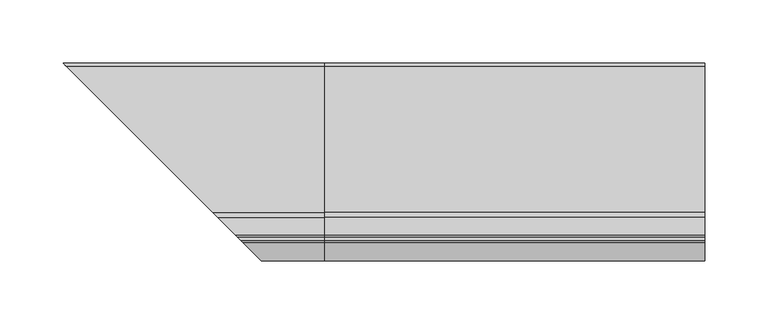
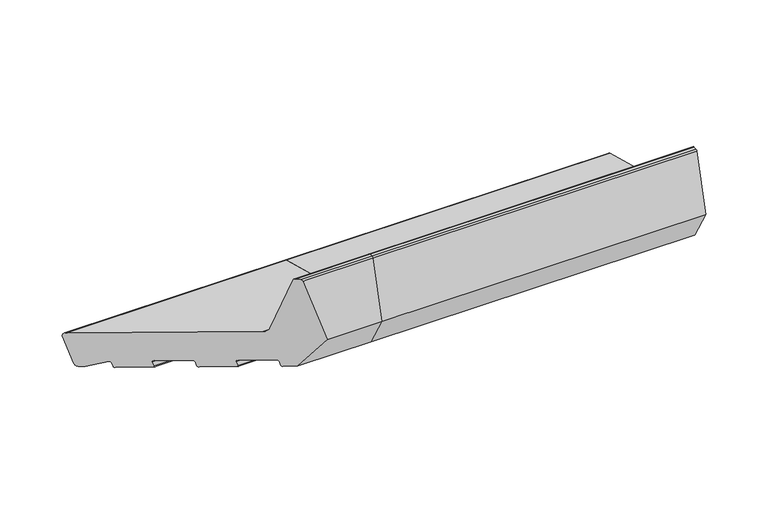
"""IFC4 building model written with IfcOpenShell, lengths in millimetres: proxy geometry."""

from ifc_helpers import new_model, si_unit, point, frame, frame_2d, origin, place, context, project, spatial, polyline, circle_curve, ellipse_curve, trimmed, segment, composite_curve, outline, extrude, source, transform, mapped, element, save
from ifc_brep_helpers import plane_surface, cylinder_surface, revolved_surface, advanced_brep


def generic_models_1cec0a48(model_context):
    return source(origin(), model_context, "Body", "SolidModel", [
        advanced_brep(
        [(0.0, 24.4386976, 5.7548961), (0.0, 28.1129323, 7.8762164), (0.0, 34.8422274, 32.9902879), (0.0, 32.7209071, 36.6645225), (0.0, -82.7419043, 67.6026896), (0.0, -86.984545, 71.8453303), (0.0, -100.7329958, 123.1552472), (0.0, -102.1818846, 124.2670186), (0.0, -105.1934447, 124.2670186), (0.0, -106.6423334, 123.1552472), (0.0, -121.0, 69.571706), (0.0, -103.3223305, 38.9530842), (0.0, -94.628998, 36.6237128), (0.0, -93.4042532, 37.3308196), (0.0, -92.368977, 41.1945229), (0.0, -91.1442321, 41.9016297), (0.0, -67.9620123, 35.6899726), (0.0, -67.2549055, 34.4652277), (0.0, -68.2901817, 30.6015244), (0.0, -67.5830749, 29.3767795), (0.0, -45.3667809, 23.4239415), (0.0, -44.142036, 24.1310483), (0.0, -43.1067598, 27.9947516), (0.0, -41.882015, 28.7018584), (0.0, -18.6997951, 22.4902013), (0.0, -17.9926884, 21.2654564), (0.0, -19.0279645, 17.4017531), (0.0, -18.3208578, 16.1770082), (0.0, 3.8954362, 10.2241702), (0.0, 5.1201811, 10.931277), (0.0, 6.0683716, 14.4699721), (0.0, 7.5551512, 15.0647989), (0.0, 21.5409202, 6.5313532), (-195.4386976, 24.4386976, 5.7548961), (-199.1129323, 28.1129323, 7.8762164), (-205.8422274, 34.8422274, 32.9902879), (-203.7209071, 32.7209071, 36.6645225), (-88.2580957, -82.7419043, 67.6026896), (-84.015455, -86.984545, 71.8453303), (-70.2670042, -100.7329958, 123.1552472), (-68.8181154, -102.1818846, 124.2670186), (-65.8065553, -105.1934447, 124.2670186), (-64.3576666, -106.6423334, 123.1552472), (-50.0, -121.0, 69.571706), (-67.6776695, -103.3223305, 38.9530842), (-76.371002, -94.628998, 36.6237128), (-77.5957468, -93.4042532, 37.3308196), (-78.631023, -92.368977, 41.1945229), (-79.8557679, -91.1442321, 41.9016297), (-103.0379877, -67.9620123, 35.6899726), (-103.7450945, -67.2549055, 34.4652277), (-102.7098183, -68.2901817, 30.6015244), (-103.4169251, -67.5830749, 29.3767795), (-125.6332191, -45.3667809, 23.4239415), (-126.857964, -44.142036, 24.1310483), (-127.8932402, -43.1067598, 27.9947516), (-129.117985, -41.882015, 28.7018584), (-192.5409202, 21.5409202, 6.5313532), (-152.3002049, -18.6997951, 22.4902013), (-151.9720355, -19.0279645, 17.4017531), (-152.6791422, -18.3208578, 16.1770082), (-153.0073116, -17.9926884, 21.2654564), (-174.8954362, 3.8954362, 10.2241702), (-176.1201811, 5.1201811, 10.931277), (-177.0683716, 6.0683716, 14.4699721), (-178.5551512, 7.5551512, 15.0647989)],
        [
            (0, 1, circle_curve(frame((0.0, 25.2151548, 8.6526736), z_axis=(1.0, 0.0, 0.0), x_axis=(0.0, 1.0, 0.0)), 3.0)),
            (1, 2),
            (2, 3, circle_curve(frame((0.0, 31.94445, 33.766745), z_axis=(1.0, 0.0, 0.0), x_axis=(0.0, 1.0, 0.0)), 3.0)),
            (3, 4),
            (4, 5, circle_curve(frame((0.0, -81.1889901, 73.3982445), z_axis=(-1.0, 0.0, 0.0), x_axis=(0.0, 1.0, 0.0)), 6.0)),
            (5, 6),
            (6, 7, circle_curve(frame((0.0, -102.1818846, 122.7670186), z_axis=(1.0, 0.0, 0.0), x_axis=(0.0, 1.0, 0.0)), 1.5)),
            (7, 8),
            (8, 9, circle_curve(frame((0.0, -105.1934447, 122.7670186), z_axis=(1.0, 0.0, 0.0), x_axis=(0.0, 1.0, 0.0)), 1.5)),
            (9, 10),
            (10, 11),
            (11, 12),
            (12, 13, circle_curve(frame((0.0, -94.370179, 37.5896386), z_axis=(1.0, 0.0, 0.0), x_axis=(0.0, 1.0, 0.0)), 1.0)),
            (13, 14),
            (14, 15, circle_curve(frame((0.0, -91.4030512, 40.9357038), z_axis=(-1.0, 0.0, 0.0), x_axis=(0.0, 1.0, 0.0)), 1.0)),
            (15, 16),
            (16, 17, circle_curve(frame((0.0, -68.2208313, 34.7240468), z_axis=(-1.0, 0.0, 0.0), x_axis=(0.0, 1.0, 0.0)), 1.0)),
            (17, 18),
            (18, 19, circle_curve(frame((0.0, -67.3242559, 30.3427054), z_axis=(1.0, 0.0, 0.0), x_axis=(0.0, 1.0, 0.0)), 1.0)),
            (19, 20),
            (20, 21, circle_curve(frame((0.0, -45.1079618, 24.3898673), z_axis=(1.0, 0.0, 0.0), x_axis=(0.0, 1.0, 0.0)), 1.0)),
            (21, 22),
            (22, 23, circle_curve(frame((0.0, -42.140834, 27.7359325), z_axis=(-1.0, 0.0, 0.0), x_axis=(0.0, 1.0, 0.0)), 1.0)),
            (23, 24),
            (24, 25, circle_curve(frame((0.0, -18.9586142, 21.5242755), z_axis=(-1.0, 0.0, 0.0), x_axis=(0.0, 1.0, 0.0)), 1.0)),
            (25, 26),
            (26, 27, circle_curve(frame((0.0, -18.0620387, 17.1429341), z_axis=(1.0, 0.0, 0.0), x_axis=(0.0, 1.0, 0.0)), 1.0)),
            (27, 28),
            (28, 29, circle_curve(frame((0.0, 4.1542553, 11.190096), z_axis=(1.0, 0.0, 0.0), x_axis=(0.0, 1.0, 0.0)), 1.0)),
            (29, 30),
            (30, 31, circle_curve(frame((0.0, 7.0342974, 14.211153), z_axis=(-1.0, 0.0, 0.0), x_axis=(0.0, 1.0, 0.0)), 1.0)),
            (31, 32),
            (32, 0),
            (0, 33),
            (33, 34, ellipse_curve(frame((-196.2151548, 25.2151548, 8.6526736), z_axis=(0.707106781186548, 0.7071067811865471, 0.0), x_axis=(-0.707106781186547, 0.707106781186548, 0.0)), 4.2426407, 3.0)),
            (34, 1),
            (34, 35),
            (35, 2),
            (35, 36, ellipse_curve(frame((-202.94445, 31.94445, 33.766745), z_axis=(0.707106781186548, 0.7071067811865471, 0.0), x_axis=(-0.707106781186547, 0.707106781186548, 0.0)), 4.2426407, 3.0)),
            (36, 3),
            (36, 37),
            (37, 4),
            (37, 38, ellipse_curve(frame((-89.8110099, -81.1889901, 73.3982445), z_axis=(-0.707106781186548, -0.7071067811865471, 0.0), x_axis=(0.707106781186547, -0.707106781186548, 0.0)), 8.4852814, 6.0)),
            (38, 5),
            (38, 39),
            (39, 6),
            (39, 40, ellipse_curve(frame((-68.8181154, -102.1818846, 122.7670186), z_axis=(0.707106781186548, 0.7071067811865471, 0.0), x_axis=(-0.707106781186547, 0.707106781186548, 0.0)), 2.1213203, 1.5)),
            (40, 7),
            (40, 41),
            (41, 8),
            (41, 42, ellipse_curve(frame((-65.8065553, -105.1934447, 122.7670186), z_axis=(0.707106781186548, 0.7071067811865471, 0.0), x_axis=(-0.707106781186547, 0.707106781186548, 0.0)), 2.1213203, 1.5)),
            (42, 9),
            (42, 43),
            (43, 10),
            (43, 44),
            (44, 11),
            (44, 45),
            (45, 12),
            (45, 46, ellipse_curve(frame((-76.629821, -94.370179, 37.5896386), z_axis=(0.707106781186548, 0.7071067811865471, 0.0), x_axis=(-0.707106781186547, 0.707106781186548, 0.0)), 1.4142136, 1.0)),
            (46, 13),
            (46, 47),
            (47, 14),
            (47, 48, ellipse_curve(frame((-79.5969488, -91.4030512, 40.9357038), z_axis=(-0.707106781186548, -0.7071067811865471, 0.0), x_axis=(0.707106781186547, -0.707106781186548, 0.0)), 1.4142136, 1.0)),
            (48, 15),
            (48, 49),
            (49, 16),
            (49, 50, ellipse_curve(frame((-102.7791687, -68.2208313, 34.7240468), z_axis=(-0.707106781186548, -0.7071067811865471, 0.0), x_axis=(0.707106781186547, -0.707106781186548, 0.0)), 1.4142136, 1.0)),
            (50, 17),
            (50, 51),
            (51, 18),
            (51, 52, ellipse_curve(frame((-103.6757441, -67.3242559, 30.3427054), z_axis=(0.707106781186548, 0.7071067811865471, 0.0), x_axis=(-0.707106781186547, 0.707106781186548, 0.0)), 1.4142136, 1.0)),
            (52, 19),
            (52, 53),
            (53, 20),
            (53, 54, ellipse_curve(frame((-125.8920382, -45.1079618, 24.3898673), z_axis=(0.707106781186548, 0.7071067811865471, 0.0), x_axis=(-0.707106781186547, 0.707106781186548, 0.0)), 1.4142136, 1.0)),
            (54, 21),
            (54, 55),
            (55, 22),
            (55, 56, ellipse_curve(frame((-128.859166, -42.140834, 27.7359325), z_axis=(-0.707106781186548, -0.7071067811865471, 0.0), x_axis=(0.707106781186547, -0.707106781186548, 0.0)), 1.4142136, 1.0)),
            (56, 23),
            (32, 57),
            (57, 33),
            (56, 58),
            (58, 24),
            (26, 59),
            (59, 60, ellipse_curve(frame((-152.9379613, -18.0620387, 17.1429341), z_axis=(0.707106781186548, 0.7071067811865471, 0.0), x_axis=(-0.707106781186547, 0.707106781186548, 0.0)), 1.4142136, 1.0)),
            (60, 27),
            (25, 61),
            (61, 59),
            (58, 61, ellipse_curve(frame((-152.0413858, -18.9586142, 21.5242755), z_axis=(-0.707106781186548, -0.7071067811865471, 0.0), x_axis=(0.707106781186547, -0.707106781186548, 0.0)), 1.4142136, 1.0)),
            (60, 62),
            (62, 28),
            (62, 63, ellipse_curve(frame((-175.1542553, 4.1542553, 11.190096), z_axis=(0.707106781186548, 0.7071067811865471, 0.0), x_axis=(-0.707106781186547, 0.707106781186548, 0.0)), 1.4142136, 1.0)),
            (63, 29),
            (63, 64),
            (64, 30),
            (64, 65, ellipse_curve(frame((-178.0342974, 7.0342974, 14.211153), z_axis=(-0.707106781186548, -0.7071067811865471, 0.0), x_axis=(0.707106781186547, -0.707106781186548, 0.0)), 1.4142136, 1.0)),
            (65, 31),
            (65, 57),
        ],
        [
            plane_surface(frame((0.0, 0.0, 0.0), z_axis=(1.0, 0.0, 0.0), x_axis=(0.0, 0.0, 1.0))),
            cylinder_surface(frame((-206.3741644, 25.2151548, 8.6526736), z_axis=(-1.0, 0.0, 0.0), x_axis=(0.0, 1.0, 0.0)), 3.0),
            plane_surface(frame((-206.3741644, 34.8422274, 32.9902879), z_axis=(0.0, 0.9659258262890688, -0.2588190451025192), x_axis=(1.0, 0.0, 0.0))),
            cylinder_surface(frame((-206.3741644, 31.94445, 33.766745), z_axis=(-1.0, 0.0, 0.0), x_axis=(0.0, 1.0, 0.0)), 3.0),
            plane_surface(frame((-206.3741644, -82.7419043, 67.6026896), z_axis=(0.0, 0.25881904510252074, 0.9659258262890684), x_axis=(1.0, 0.0, 0.0))),
            revolved_surface(polyline([(0.0, -75.1889901, 73.3982445), (-95.81100991821609, -75.1889901, 73.3982445)]), (-206.3741644, -81.1889901, 73.3982445), (1.0, 0.0, 0.0)),
            plane_surface(frame((-206.3741644, -100.7329958, 123.1552472), z_axis=(0.0, 0.9659258262890681, 0.25881904510252146), x_axis=(1.0, 0.0, 0.0))),
            cylinder_surface(frame((-206.3741644, -102.1818846, 122.7670186), z_axis=(-1.0, 0.0, 0.0), x_axis=(0.0, 1.0, 0.0)), 1.5),
            plane_surface(frame((-206.3741644, -105.1934447, 124.2670186), z_axis=(0.0, 0.0, 1.0), x_axis=(1.0, 0.0, 0.0))),
            cylinder_surface(frame((-206.3741644, -105.1934447, 122.7670186), z_axis=(-1.0, 0.0, 0.0), x_axis=(0.0, 1.0, 0.0)), 1.5),
            plane_surface(frame((-206.3741644, -121.0, 69.571706), z_axis=(0.0, -0.9659258262890682, 0.25881904510252113), x_axis=(1.0, 0.0, 0.0))),
            plane_surface(frame((-206.3741644, -103.3223305, 38.9530842), z_axis=(0.0, -0.8660254037844382, -0.5000000000000009), x_axis=(1.0, 0.0, 0.0))),
            plane_surface(frame((-206.3741644, -94.628998, 36.6237128), z_axis=(0.0, -0.2588190451025213, -0.9659258262890682), x_axis=(1.0, 0.0, 0.0))),
            cylinder_surface(frame((-206.3741644, -94.370179, 37.5896386), z_axis=(-1.0, 0.0, 0.0), x_axis=(0.0, 1.0, 0.0)), 1.0),
            plane_surface(frame((-206.3741644, -92.368977, 41.1945229), z_axis=(0.0, 0.9659258262890696, -0.25881904510251574), x_axis=(1.0, 0.0, 0.0))),
            revolved_surface(polyline([(0.0, -90.4030512, 40.9357038), (-80.59694882660625, -90.4030512, 40.9357038)]), (-206.3741644, -91.4030512, 40.9357038), (1.0, 0.0, 0.0)),
            plane_surface(frame((-206.3741644, -67.9620123, 35.6899726), z_axis=(0.0, -0.25881904510252196, -0.965925826289068), x_axis=(1.0, 0.0, 0.0))),
            revolved_surface(polyline([(0.0, -67.2208313, 34.7240468), (-103.77916872660624, -67.2208313, 34.7240468)]), (-206.3741644, -68.2208313, 34.7240468), (1.0, 0.0, 0.0)),
            plane_surface(frame((-206.3741644, -68.2901817, 30.6015244), z_axis=(0.0, -0.9659258262890698, 0.2588190451025152), x_axis=(1.0, 0.0, 0.0))),
            cylinder_surface(frame((-206.3741644, -67.3242559, 30.3427054), z_axis=(-1.0, 0.0, 0.0), x_axis=(0.0, 1.0, 0.0)), 1.0),
            plane_surface(frame((-206.3741644, -45.3667809, 23.4239415), z_axis=(0.0, -0.25881904510252135, -0.9659258262890682), x_axis=(1.0, 0.0, 0.0))),
            cylinder_surface(frame((-206.3741644, -45.1079618, 24.3898673), z_axis=(-1.0, 0.0, 0.0), x_axis=(0.0, 1.0, 0.0)), 1.0),
            plane_surface(frame((-206.3741644, -43.1067598, 27.9947516), z_axis=(0.0, 0.9659258262890696, -0.25881904510251574), x_axis=(1.0, 0.0, 0.0))),
            revolved_surface(polyline([(0.0, -41.140834, 27.7359325), (-129.85916602660623, -41.140834, 27.7359325)]), (-206.3741644, -42.140834, 27.7359325), (1.0, 0.0, 0.0)),
            plane_surface(frame((-206.3741644, 24.4386976, 5.7548961), z_axis=(0.0, -0.2588190451025198, -0.9659258262890685), x_axis=(1.0, 0.0, 0.0))),
            plane_surface(frame((-206.3741644, -18.6997951, 22.4902013), z_axis=(0.0, -0.2588190451025191, -0.9659258262890689), x_axis=(1.0, 0.0, 0.0))),
            cylinder_surface(frame((-206.3741644, -18.0620387, 17.1429341), z_axis=(-1.0, 0.0, 0.0), x_axis=(0.0, 1.0, 0.0)), 1.0),
            plane_surface(frame((-206.3741644, -19.0279645, 17.4017531), z_axis=(0.0, -0.96592582628907, 0.2588190451025148), x_axis=(1.0, 0.0, 0.0))),
            revolved_surface(polyline([(0.0, -17.9586142, 21.5242755), (-153.04138582660624, -17.9586142, 21.5242755)]), (-206.3741644, -18.9586142, 21.5242755), (1.0, 0.0, 0.0)),
            plane_surface(frame((-206.3741644, 3.8954362, 10.2241702), z_axis=(0.0, -0.25881904510251874, -0.965925826289069), x_axis=(1.0, 0.0, 0.0))),
            cylinder_surface(frame((-206.3741644, 4.1542553, 11.190096), z_axis=(-1.0, 0.0, 0.0), x_axis=(0.0, 1.0, 0.0)), 1.0),
            plane_surface(frame((-206.3741644, 6.0683716, 14.4699721), z_axis=(0.0, 0.9659258262890685, -0.25881904510251985), x_axis=(1.0, 0.0, 0.0))),
            revolved_surface(polyline([(0.0, 8.0342974, 14.211153), (-179.03429742660626, 8.0342974, 14.211153)]), (-206.3741644, 7.0342974, 14.211153), (1.0, 0.0, 0.0)),
            plane_surface(frame((-206.3741644, 21.5409202, 6.5313532), z_axis=(0.0, -0.5208538026734632, -0.853645896282875), x_axis=(1.0, 0.0, 0.0))),
            plane_surface(frame((-152.2045815, -18.7954185, 0.0), z_axis=(-0.707106781186548, -0.7071067811865471, 0.0), x_axis=(0.0, 0.0, 1.0))),
        ],
        [
            (0, [[1, 2, 3, 4, 5, 6, 7, 8, 9, 10, 11, 12, 13, 14, 15, 16, 17, 18, 19, 20, 21, 22, 23, 24, 25, 26, 27, 28, 29, 30, 31, 32, 33]]),
            (1, [[-1, 34, 35, 36]]),
            (2, [[-2, -36, 37, 38]]),
            (3, [[-3, -38, 39, 40]]),
            (4, [[-4, -40, 41, 42]]),
            (5, [[-5, -42, 43, 44]]),
            (6, [[-6, -44, 45, 46]]),
            (7, [[-7, -46, 47, 48]]),
            (8, [[-8, -48, 49, 50]]),
            (9, [[-9, -50, 51, 52]]),
            (10, [[-10, -52, 53, 54]]),
            (11, [[-11, -54, 55, 56]]),
            (12, [[-12, -56, 57, 58]]),
            (13, [[-13, -58, 59, 60]]),
            (14, [[-14, -60, 61, 62]]),
            (15, [[-15, -62, 63, 64]]),
            (16, [[-16, -64, 65, 66]]),
            (17, [[-17, -66, 67, 68]]),
            (18, [[-18, -68, 69, 70]]),
            (19, [[-19, -70, 71, 72]]),
            (20, [[-20, -72, 73, 74]]),
            (21, [[-21, -74, 75, 76]]),
            (22, [[-22, -76, 77, 78]]),
            (23, [[-23, -78, 79, 80]]),
            (24, [[-33, 81, 82, -34]]),
            (25, [[-24, -80, 83, 84]]),
            (26, [[-27, 85, 86, 87]]),
            (27, [[-26, 88, 89, -85]]),
            (28, [[-25, -84, 90, -88]]),
            (29, [[-28, -87, 91, 92]]),
            (30, [[-29, -92, 93, 94]]),
            (31, [[-30, -94, 95, 96]]),
            (32, [[-31, -96, 97, 98]]),
            (33, [[-32, -98, 99, -81]]),
            (34, [[-35, -82, -99, -97, -95, -93, -91, -86, -89, -90, -83, -79, -77, -75, -73, -71, -69, -67, -65, -63, -61, -59, -57, -55, -53, -51, -49, -47, -45, -43, -41, -39, -37]]),
        ],
    ),
        extrude(outline(composite_curve([segment(polyline([(24.4386976, 5.7548961), (21.5409202, 6.5313532), (7.5551512, 15.0647989)]), True, "CONTINUOUS"), segment(trimmed(circle_curve(frame_2d((7.0342974, 14.211153)), 1.0), [point((7.5551512, 15.0647989))], [point((6.0683716, 14.4699721))], True, "CARTESIAN"), True, "CONTINUOUS"), segment(polyline([(6.0683716, 14.4699721), (5.1201811, 10.931277)]), True, "CONTINUOUS"), segment(trimmed(circle_curve(frame_2d((4.1542553, 11.190096)), 1.0), [point((5.1201811, 10.931277))], [point((3.8954362, 10.2241702))], False, "CARTESIAN"), True, "CONTINUOUS"), segment(polyline([(3.8954362, 10.2241702), (-18.3208578, 16.1770082)]), True, "CONTINUOUS"), segment(trimmed(circle_curve(frame_2d((-18.0620387, 17.1429341)), 1.0), [point((-18.3208578, 16.1770082))], [point((-19.0279645, 17.4017531))], False, "CARTESIAN"), True, "CONTINUOUS"), segment(polyline([(-19.0279645, 17.4017531), (-17.9926884, 21.2654564)]), True, "CONTINUOUS"), segment(trimmed(circle_curve(frame_2d((-18.9586142, 21.5242755)), 1.0), [point((-17.9926884, 21.2654564))], [point((-18.6997951, 22.4902013))], True, "CARTESIAN"), True, "CONTINUOUS"), segment(polyline([(-18.6997951, 22.4902013), (-41.882015, 28.7018584)]), True, "CONTINUOUS"), segment(trimmed(circle_curve(frame_2d((-42.140834, 27.7359325)), 1.0), [point((-41.882015, 28.7018584))], [point((-43.1067598, 27.9947516))], True, "CARTESIAN"), True, "CONTINUOUS"), segment(polyline([(-43.1067598, 27.9947516), (-44.142036, 24.1310483)]), True, "CONTINUOUS"), segment(trimmed(circle_curve(frame_2d((-45.1079618, 24.3898673)), 1.0), [point((-44.142036, 24.1310483))], [point((-45.3667809, 23.4239415))], False, "CARTESIAN"), True, "CONTINUOUS"), segment(polyline([(-45.3667809, 23.4239415), (-67.5830749, 29.3767795)]), True, "CONTINUOUS"), segment(trimmed(circle_curve(frame_2d((-67.3242559, 30.3427054)), 1.0), [point((-67.5830749, 29.3767795))], [point((-68.2901817, 30.6015244))], False, "CARTESIAN"), True, "CONTINUOUS"), segment(polyline([(-68.2901817, 30.6015244), (-67.2549055, 34.4652277)]), True, "CONTINUOUS"), segment(trimmed(circle_curve(frame_2d((-68.2208313, 34.7240468)), 1.0), [point((-67.2549055, 34.4652277))], [point((-67.9620123, 35.6899726))], True, "CARTESIAN"), True, "CONTINUOUS"), segment(polyline([(-67.9620123, 35.6899726), (-91.1442321, 41.9016297)]), True, "CONTINUOUS"), segment(trimmed(circle_curve(frame_2d((-91.4030512, 40.9357038)), 1.0), [point((-91.1442321, 41.9016297))], [point((-92.368977, 41.1945229))], True, "CARTESIAN"), True, "CONTINUOUS"), segment(polyline([(-92.368977, 41.1945229), (-93.4042532, 37.3308196)]), True, "CONTINUOUS"), segment(trimmed(circle_curve(frame_2d((-94.370179, 37.5896386)), 1.0), [point((-93.4042532, 37.3308196))], [point((-94.628998, 36.6237128))], False, "CARTESIAN"), True, "CONTINUOUS"), segment(polyline([(-94.628998, 36.6237128), (-103.3223305, 38.9530842), (-121.0, 69.571706), (-106.6423334, 123.1552472)]), True, "CONTINUOUS"), segment(trimmed(circle_curve(frame_2d((-105.1934447, 122.7670186)), 1.5), [point((-106.6423334, 123.1552472))], [point((-105.1934447, 124.2670186))], False, "CARTESIAN"), True, "CONTINUOUS"), segment(polyline([(-105.1934447, 124.2670186), (-102.1818846, 124.2670186)]), True, "CONTINUOUS"), segment(trimmed(circle_curve(frame_2d((-102.1818846, 122.7670186)), 1.5), [point((-102.1818846, 124.2670186))], [point((-100.7329958, 123.1552472))], False, "CARTESIAN"), True, "CONTINUOUS"), segment(polyline([(-100.7329958, 123.1552472), (-86.984545, 71.8453303)]), True, "CONTINUOUS"), segment(trimmed(circle_curve(frame_2d((-81.1889901, 73.3982445)), 6.0), [point((-86.984545, 71.8453303))], [point((-82.7419043, 67.6026896))], True, "CARTESIAN"), True, "CONTINUOUS"), segment(polyline([(-82.7419043, 67.6026896), (32.7209071, 36.6645225)]), True, "CONTINUOUS"), segment(trimmed(circle_curve(frame_2d((31.94445, 33.766745)), 3.0), [point((32.7209071, 36.6645225))], [point((34.8422274, 32.9902879))], False, "CARTESIAN"), True, "CONTINUOUS"), segment(polyline([(34.8422274, 32.9902879), (28.1129323, 7.8762164)]), True, "CONTINUOUS"), segment(trimmed(circle_curve(frame_2d((25.2151548, 8.6526736)), 3.0), [point((28.1129323, 7.8762164))], [point((24.4386976, 5.7548961))], False, "CARTESIAN"), True, "CONTINUOUS")], self_intersect=False)), frame((0.0, 0.0, 0.0), z_axis=(1.0, 0.0, 0.0), x_axis=(0.0, 1.0, 0.0)), (0.0, 0.0, 1.0), 300.0),
    ])


if __name__ == "__main__":
    model = new_model("IFC4")
    model_context = context("Model", 3, world=origin())
    ifc_project = project(units=[si_unit("LENGTHUNIT", "METRE", prefix="MILLI")], contexts=[model_context])
    site = spatial("IfcSite", under=ifc_project)
    building = spatial("IfcBuilding", under=site)
    placement = place(None, origin())
    generic_models_shape = generic_models_1cec0a48(model_context)
    element("IfcBuildingElementProxy", 1, Name="Generic Models", at=placement, inside=building, context=model_context, shape_type="MappedRepresentation", body=[
        mapped(generic_models_shape, transform((0.0, 0.0, 0.0), x_axis=(1.0, 0.0, 0.0), y_axis=(0.0, 1.0, 0.0), z_axis=(0.0, 0.0, 1.0))),
    ])
    save(model, "model.ifc")
